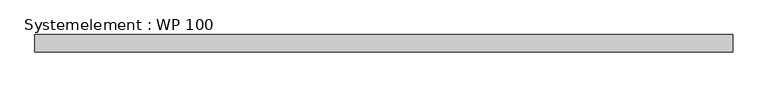
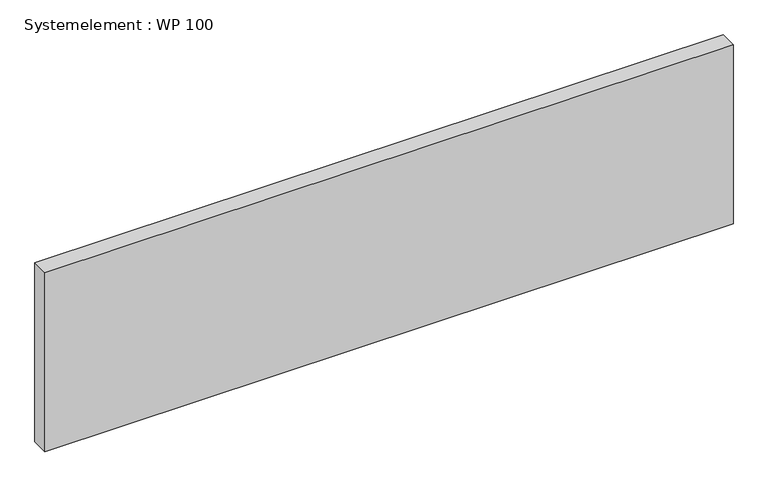
"""IFC4 building model written with IfcOpenShell, lengths in millimetres: plate geometry, Systemelement : WP 100."""

from ifc_helpers import new_model, si_unit, origin, origin_with_axes, place, context, project, spatial, polyline, outline, extrude, source, transform, mapped, element, save


def systemelement_wp_100_f6e879db(model_context):
    return source(origin(), model_context, "Body", "SweptSolid", [
        extrude(outline(polyline([(2000.0, -100.0), (-2000.0, -100.0), (-2000.0, 0.0), (2000.0, 0.0), (2000.0, -100.0)])), origin_with_axes(), (0.0, 0.0, 1.0), 1100.0),
    ])


if __name__ == "__main__":
    model = new_model("IFC4")
    model_context = context("Model", 3, world=origin())
    ifc_project = project(units=[si_unit("LENGTHUNIT", "METRE", prefix="MILLI")], contexts=[model_context])
    site = spatial("IfcSite", under=ifc_project)
    building = spatial("IfcBuilding", under=site)
    placement = place(None, origin())
    systemelement_wp_100_shape = systemelement_wp_100_f6e879db(model_context)
    element("IfcPlate", 1, ObjectType="Systemelement : WP 100", at=placement, inside=building, context=model_context, shape_type="MappedRepresentation", body=[
        mapped(systemelement_wp_100_shape, transform((0.0, 0.0, 0.0), x_axis=(1.0, 0.0, 0.0), y_axis=(0.0, 1.0, 0.0), z_axis=(0.0, 0.0, 1.0))),
    ])
    save(model, "model.ifc")
